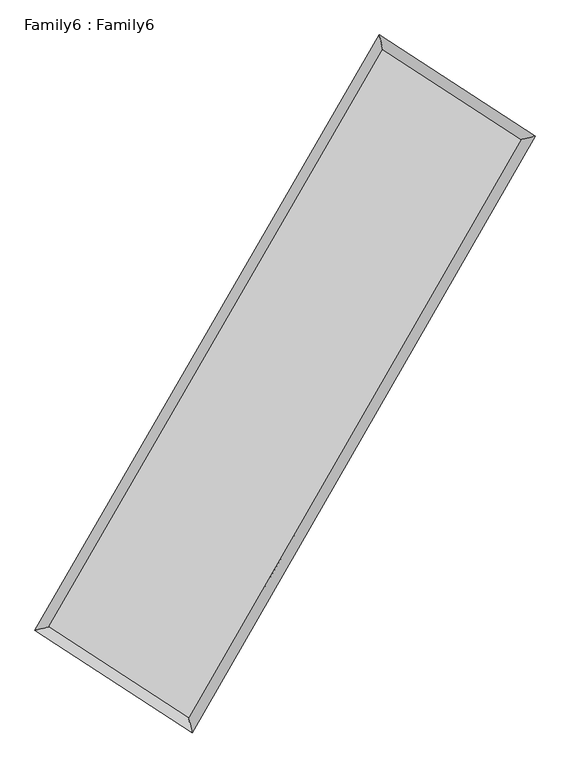
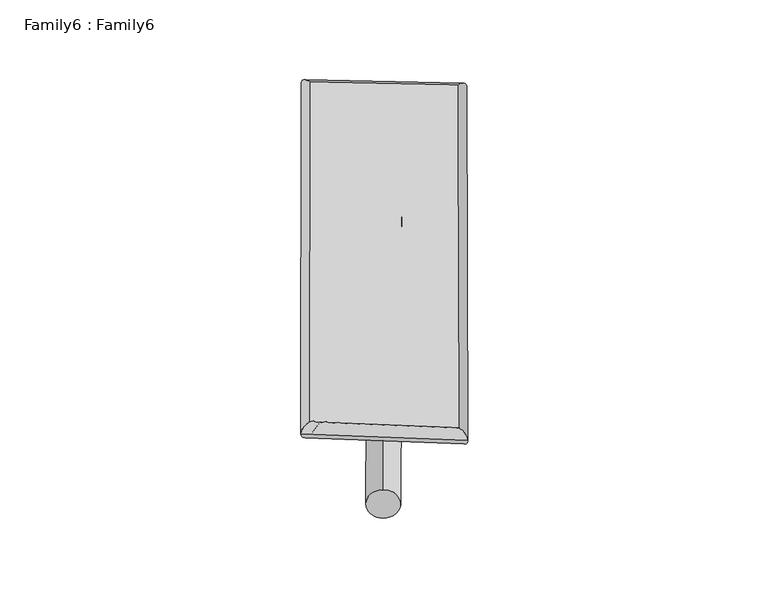
"""IFC4 building model written with IfcOpenShell, lengths in millimetres: plate geometry, Family6 : Family6."""

from ifc_helpers import new_model, si_unit, point, frame, origin, origin_2d, place, context, project, spatial, circle_curve, ellipse_curve, trimmed, segment, composite_curve, outline, extrude, source, transform, mapped, element, save
from ifc_brep_helpers import plane_surface, cylinder_surface, spline_surface, advanced_brep


def family6_family6_ab82d45c(model_context):
    return source(origin(), model_context, "Body", "SolidModel", [
        extrude(outline(composite_curve([segment(trimmed(circle_curve(origin_2d(), 76.2), [point((-75.4341514, -10.7763073))], [point((75.4341514, 10.7763073))], False, "CARTESIAN"), True, "CONTINUOUS"), segment(trimmed(circle_curve(origin_2d(), 76.2), [point((75.4341514, 10.7763073))], [point((-75.4341514, -10.7763073))], False, "CARTESIAN"), True, "CONTINUOUS")], self_intersect=False)), frame((9144.0, 9144.0, 0.0), z_axis=(0.6680526602533573, 0.6899280173745114, 0.27875611916169385), x_axis=(-0.6823041848922633, 0.7174395242990446, -0.1405045488660953)), (0.0, 0.0, 1.0), 5516.9575439),
        extrude(outline(composite_curve([segment(trimmed(circle_curve(origin_2d(), 76.2), [point((-53.8815367, 53.8815368))], [point((53.8815367, -53.8815368))], False, "CARTESIAN"), True, "CONTINUOUS"), segment(trimmed(circle_curve(origin_2d(), 76.2), [point((53.8815367, -53.8815368))], [point((-53.8815367, 53.8815368))], False, "CARTESIAN"), True, "CONTINUOUS")], self_intersect=False)), frame((9144.0, 9144.0, 0.0), z_axis=(-0.6697595481917485, -0.6883171857181805, 0.2786424222027019), x_axis=(0.6457296353356684, -0.35456109664339663, 0.6762541436444562)), (0.0, 0.0, 1.0), 5519.2077856),
        extrude(outline(composite_curve([segment(trimmed(circle_curve(origin_2d(), 76.2), [point((-53.8815367, -53.8815367))], [point((53.8815367, 53.8815367))], False, "CARTESIAN"), True, "CONTINUOUS"), segment(trimmed(circle_curve(origin_2d(), 76.2), [point((53.8815367, 53.8815367))], [point((-53.8815367, -53.8815367))], False, "CARTESIAN"), True, "CONTINUOUS")], self_intersect=False)), frame((9144.0, 9144.0, 0.0), z_axis=(0.2686308824759998, 0.9254131679692071, 0.26729743270252715), x_axis=(-0.8402114819824155, 0.36081832800940367, -0.4047898216573777)), (0.0, 0.0, 1.0), 5638.5901012),
        extrude(outline(composite_curve([segment(trimmed(circle_curve(origin_2d(), 76.2), [point((-75.4341514, 10.7763073))], [point((75.4341514, -10.7763073))], False, "CARTESIAN"), True, "CONTINUOUS"), segment(trimmed(circle_curve(origin_2d(), 76.2), [point((75.4341514, -10.7763073))], [point((-75.4341514, 10.7763073))], False, "CARTESIAN"), True, "CONTINUOUS")], self_intersect=False)), frame((9144.0, 9144.0, 0.0), z_axis=(-0.26667868751912666, -0.9260381593264875, 0.2670876356072804), x_axis=(0.8815673334193757, -0.12237570516238308, 0.45592019415009555)), (0.0, 0.0, 1.0), 5643.7398397),
        advanced_brep(
        [(5243.2583263, 5296.2243612, 1535.4735879), (5243.2291666, 5296.1841233, 1540.8598198), (5651.657448, 5393.844498, 1540.2972641), (10710.2557472, 14146.7175742, 1510.4918741), (10607.1431225, 14577.3334827, 1503.8694421), (5651.6866077, 5393.8847359, 1534.9110323), (12625.6177753, 12901.1810288, 1537.5823504), (13033.6185521, 12999.4261316, 1538.1889986), (7587.0831798, 4133.3221558, 1507.9641858), (7690.7865539, 3702.0409385, 1506.7820737)],
        [
            (0, 1, ellipse_curve(frame((5447.4578871, 5345.0344296, 1537.885426), z_axis=(-0.23254484394011604, 0.9725671266241052, 0.006006643571832798), x_axis=(-0.972514985813253, -0.23259796771296945, 0.010620159341768794)), 210.0120651, 152.4)),
            (1, 2, ellipse_curve(frame((5447.4578871, 5345.0344296, 1537.885426), z_axis=(-0.23254484394011604, 0.9725671266241052, 0.006006643571832798), x_axis=(-0.972514985813253, -0.23259796771296945, 0.010620159341768794)), 210.0120651, 152.4)),
            (2, 3),
            (3, 4, ellipse_curve(frame((10658.6994348, 14362.0255285, 1507.1806581), z_axis=(-0.9724648017820257, -0.23295993496100628, -0.006471321195020637), x_axis=(0.23288846791760917, -0.9724499186023401, 0.010203789555404515)), 221.4221356, 152.4)),
            (4, 0),
            (2, 5, ellipse_curve(frame((5447.4578871, 5345.0344296, 1537.885426), z_axis=(-0.23254484394011604, 0.9725671266241052, 0.006006643571832798), x_axis=(-0.972514985813253, -0.23259796771296945, 0.010620159341768794)), 210.0120651, 152.4)),
            (5, 0, ellipse_curve(frame((5447.4578871, 5345.0344296, 1537.885426), z_axis=(-0.23254484394011604, 0.9725671266241052, 0.006006643571832798), x_axis=(-0.972514985813253, -0.23259796771296945, 0.010620159341768794)), 210.0120651, 152.4)),
            (4, 3, ellipse_curve(frame((10658.6994348, 14362.0255285, 1507.1806581), z_axis=(-0.9724648017820257, -0.23295993496100628, -0.006471321195020637), x_axis=(0.23288846791760917, -0.9724499186023401, 0.010203789555404515)), 221.4221356, 152.4)),
            (3, 6),
            (6, 7, ellipse_curve(frame((12829.6181637, 12950.3035802, 1537.8856745), z_axis=(-0.2340918920799537, 0.9721950477553818, -0.006146151831666786), x_axis=(-0.9721417128788512, -0.23414703766072487, -0.010754293825272612)), 209.8396856, 152.4)),
            (7, 4),
            (7, 6, ellipse_curve(frame((12829.6181637, 12950.3035802, 1537.8856745), z_axis=(-0.2340918920799537, 0.9721950477553818, -0.006146151831666786), x_axis=(-0.9721417128788512, -0.23414703766072487, -0.010754293825272612)), 209.8396856, 152.4)),
            (6, 8),
            (8, 9, ellipse_curve(frame((7638.9348669, 3917.6815471, 1507.3731298), z_axis=(0.9722633888436123, 0.2338022280774195, -0.006357740193575698), x_axis=(-0.23373307050199046, 0.9722489234694728, 0.01004403137007053)), 221.7945302, 152.4)),
            (9, 7),
            (9, 8, ellipse_curve(frame((7638.9348669, 3917.6815471, 1507.3731298), z_axis=(0.9722633888436123, 0.2338022280774195, -0.006357740193575698), x_axis=(-0.23373307050199046, 0.9722489234694728, 0.01004403137007053)), 221.7945302, 152.4)),
            (8, 5),
            (1, 9),
        ],
        [
            cylinder_surface(frame((5447.4578871, 5345.0344296, 1537.885426), z_axis=(-0.5003779641172931, -0.8658020564242541, 0.0029482397063527593), x_axis=(-0.8656831882257661, 0.5002458617007906, -0.01861976032355512)), 152.4),
            cylinder_surface(frame((10658.6994348, 14362.0255285, 1507.1806581), z_axis=(-0.8382744286185648, 0.5451196278410534, -0.011856376624009953), x_axis=(0.5452264738249545, 0.8382379643505529, -0.00923078338212051)), 152.4),
            cylinder_surface(frame((12829.6181637, 12950.3035802, 1537.8856745), z_axis=(0.4982471906022229, 0.8670300795418974, 0.0029288609668809583), x_axis=(0.8670346741259147, -0.49824719060222294, -0.0007816139463435787)), 152.4),
            cylinder_surface(frame((7638.9348669, 3917.6815471, 1507.3731298), z_axis=(0.8378808041965446, -0.5457285621083184, -0.011665952946038262), x_axis=(-0.5456635175060685, -0.837961704790956, 0.008456179204556396)), 152.4),
        ],
        [
            (0, [[1, 2, 3, 4, 5]]),
            (0, [[6, 7, -5, 8, -3]]),
            (1, [[-4, 9, 10, 11]]),
            (1, [[-8, -11, 12, -9]]),
            (2, [[-10, 13, 14, 15]]),
            (2, [[-12, -15, 16, -13]]),
            (3, [[-14, 17, -6, -2, 18]]),
            (3, [[-16, -18, -1, -7, -17]]),
        ],
    ),
        extrude(outline(composite_curve([segment(trimmed(circle_curve(origin_2d(), 304.8), [point((0.0, -304.8))], [point((-1e-07, 304.8))], False, "CARTESIAN"), True, "CONTINUOUS"), segment(trimmed(circle_curve(origin_2d(), 304.8), [point((-1e-07, 304.8))], [point((0.0, -304.8))], False, "CARTESIAN"), True, "CONTINUOUS")], self_intersect=False)), frame((6522.7731476, 4632.5191058, -0.0036996), z_axis=(0.5023730420481065, 0.8646509854402693, 7.090416767645174e-07), x_axis=(-0.8646509854405389, 0.5023730420481065, 1.910295421912302e-07)), (0.0, 0.0, 1.0), 10435.3802175),
        advanced_brep(
        [(5447.4578871, 5345.0344296, 1537.885426), (7638.9348669, 3917.6815471, 1507.3731298), (7638.9383828, 3917.6810971, 1659.7731297), (5447.4614031, 5345.0339795, 1690.285426), (12829.6181637, 12950.3035802, 1537.8856745), (12829.6216797, 12950.3031301, 1690.2856745), (10658.6994348, 14362.0255285, 1507.1806581), (10658.7029508, 14362.0250784, 1659.5806581)],
        [
            (0, 1),
            (1, 2),
            (2, 3),
            (3, 0),
            (1, 4),
            (4, 5),
            (5, 2),
            (4, 6),
            (6, 7),
            (7, 5),
            (6, 0),
            (3, 7),
        ],
        [
            plane_surface(frame((6543.196377, 4631.3579884, 1522.6292779), z_axis=(-0.5457656022896676, -0.8379378898552416, 1.0116404764149399e-05), x_axis=(0.8378808041965442, -0.545728562108319, -0.011665952946038248))),
            plane_surface(frame((10234.2765153, 8433.9925637, 1522.6294021), z_axis=(0.867033829493981, -0.49824927300684635, -2.147443851646994e-05), x_axis=(0.49824719060222333, 0.8670300795418971, 0.0029288609668809743))),
            plane_surface(frame((11744.1587993, 13656.1645543, 1522.5331663), z_axis=(0.5451580469947742, 0.838333289148659, -1.0101220383249183e-05), x_axis=(-0.8382744286185645, 0.5451196278410539, -0.011856376624009946))),
            plane_surface(frame((8053.078661, 9853.529979, 1522.5330421), z_axis=(-0.8658057874285141, 0.5003801934480274, 2.1452400235561853e-05), x_axis=(-0.5003779641172933, -0.8658020564242538, 0.0029482397063527632))),
            spline_surface(1, 1, [[(7638.9383828, 3917.6810971, 1659.7731297), (5447.4614031, 5345.0339795, 1690.285426)], [(12829.6216797, 12950.3031301, 1690.2856745), (10658.7029508, 14362.0250784, 1659.5806581)]], [2, 2], [2, 2], [0.0, 1.0], [0.0, 1.0]),
            spline_surface(1, 1, [[(10658.6994348, 14362.0255285, 1507.1806581), (5447.4578871, 5345.0344296, 1537.885426)], [(12829.6181637, 12950.3035802, 1537.8856745), (7638.9348669, 3917.6815471, 1507.3731298)]], [2, 2], [2, 2], [0.0, 1.0], [0.0, 1.0]),
        ],
        [
            (0, [[1, 2, 3, 4]]),
            (1, [[5, 6, 7, -2]]),
            (2, [[8, 9, 10, -6]]),
            (3, [[11, -4, 12, -9]]),
            (4, [[-3, -7, -10, -12]]),
            (5, [[-11, -8, -5, -1]]),
        ],
    ),
    ])


if __name__ == "__main__":
    model = new_model("IFC4")
    model_context = context("Model", 3, world=origin())
    ifc_project = project(units=[si_unit("LENGTHUNIT", "METRE", prefix="MILLI")], contexts=[model_context])
    site = spatial("IfcSite", under=ifc_project)
    building = spatial("IfcBuilding", under=site)
    placement = place(None, origin())
    family6_family6_shape = family6_family6_ab82d45c(model_context)
    element("IfcPlate", 1, ObjectType="Family6 : Family6", at=placement, inside=building, context=model_context, shape_type="MappedRepresentation", body=[
        mapped(family6_family6_shape, transform((0.0, 0.0, 0.0), x_axis=(1.0, 0.0, 0.0), y_axis=(0.0, 1.0, 0.0), z_axis=(0.0, 0.0, 1.0))),
    ])
    save(model, "model.ifc")
